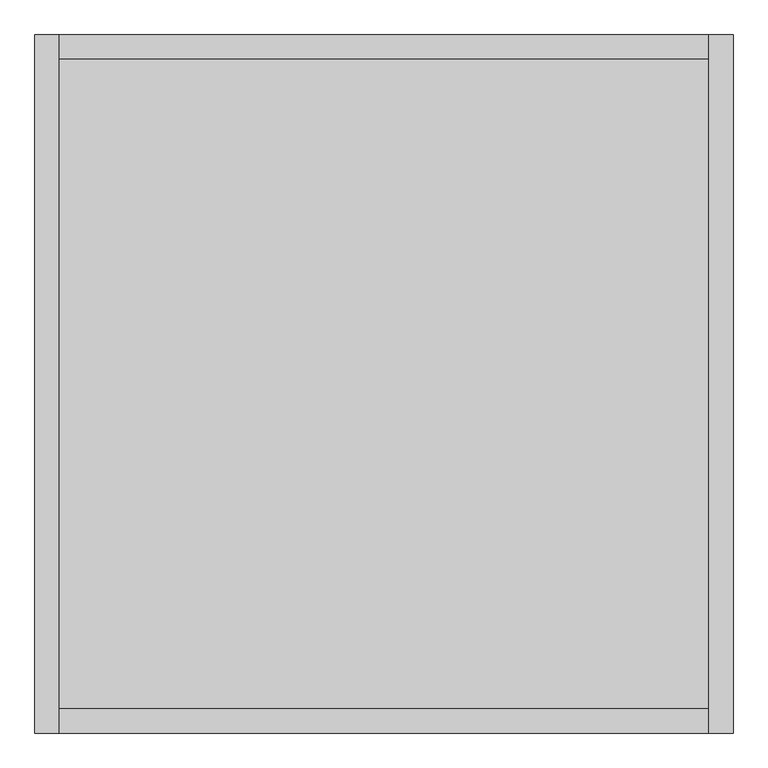
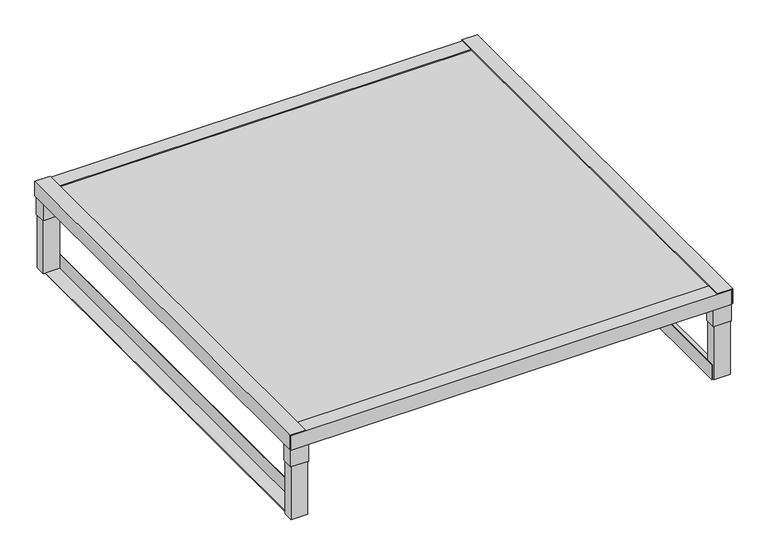
"""IFC4 building model written with IfcOpenShell, lengths in millimetres: proxy geometry."""

from ifc_helpers import new_model, si_unit, frame, origin, place, context, project, spatial, polyline, outline, extrude, source, transform, mapped, element, save


def specialty_equipment_ddc17eeb(model_context):
    return source(origin(), model_context, "Body", "SweptSolid", [
        extrude(outline(polyline([(-666.0, -95.0), (-666.0, -129.0), (-719.9705966, -129.0), (-719.9705966, -95.0), (-666.0, -95.0)])), frame((0.0, 0.0, 3.0), z_axis=(0.0, 0.0, 1.0), x_axis=(1.0, 0.0, 0.0)), (0.0, 0.0, 1.0), 185.0),
        extrude(outline(polyline([(720.0, -95.0), (720.0, -129.0), (665.9705966, -129.0), (665.9705966, -95.0), (720.0, -95.0)])), frame((0.0, 0.0, 3.0), z_axis=(0.0, 0.0, 1.0), x_axis=(1.0, 0.0, 0.0)), (0.0, 0.0, 1.0), 185.0),
        extrude(outline(polyline([(720.0, -1501.0), (720.0, -1535.0), (665.9705966, -1535.0), (665.9705966, -1501.0), (720.0, -1501.0)])), frame((0.0, 0.0, 3.0), z_axis=(0.0, 0.0, 1.0), x_axis=(1.0, 0.0, 0.0)), (0.0, 0.0, 1.0), 185.0),
        extrude(outline(polyline([(-666.0, -1501.0), (-666.0, -1535.0), (-719.9705966, -1535.0), (-719.9705966, -1501.0), (-666.0, -1501.0)])), frame((0.0, 0.0, 3.0), z_axis=(0.0, 0.0, 1.0), x_axis=(1.0, 0.0, 0.0)), (0.0, 0.0, 1.0), 185.0),
        extrude(outline(polyline([(-663.9705966, -93.0), (-663.9705966, -131.0), (-721.9705966, -131.0), (-721.9705966, -93.0), (-663.9705966, -93.0)])), frame((0.0, 0.0, 188.0), z_axis=(0.0, 0.0, 1.0), x_axis=(1.0, 0.0, 0.0)), (0.0, 0.0, 1.0), 100.0),
        extrude(outline(polyline([(663.9705966, -93.0), (721.9705966, -93.0), (721.9705966, -131.0), (663.9705966, -131.0), (663.9705966, -93.0)])), frame((0.0, 0.0, 188.0), z_axis=(0.0, 0.0, 1.0), x_axis=(1.0, 0.0, 0.0)), (0.0, 0.0, 1.0), 100.0),
        extrude(outline(polyline([(-663.9705966, -1537.0), (-721.9705966, -1537.0), (-721.9705966, -1499.0), (-663.9705966, -1499.0), (-663.9705966, -1537.0)])), frame((0.0, 0.0, 188.0), z_axis=(0.0, 0.0, 1.0), x_axis=(1.0, 0.0, 0.0)), (0.0, 0.0, 1.0), 100.0),
        extrude(outline(polyline([(663.9705966, -1537.0), (663.9705966, -1499.0), (721.9705966, -1499.0), (721.9705966, -1537.0), (663.9705966, -1537.0)])), frame((0.0, 0.0, 188.0), z_axis=(0.0, 0.0, 1.0), x_axis=(1.0, 0.0, 0.0)), (0.0, 0.0, 1.0), 100.0),
        extrude(outline(polyline([(3.0, -666.0), (3.0, -713.0), (0.0, -713.0), (0.0, -663.0), (50.0, -663.0), (50.0, -666.0), (3.0, -666.0)])), frame((0.0, -1528.0, 0.0), z_axis=(0.0, 1.0, 0.0), x_axis=(0.0, 0.0, 1.0)), (0.0, 0.0, 1.0), 1426.0),
        extrude(outline(polyline([(3.0, 665.9705966), (50.0, 665.9705966), (50.0, 662.9705966), (0.0, 662.9705966), (0.0, 712.9705966), (3.0, 712.9705966), (3.0, 665.9705966)])), frame((0.0, -1528.0, 0.0), z_axis=(0.0, 1.0, 0.0), x_axis=(0.0, 0.0, 1.0)), (0.0, 0.0, 1.0), 1426.0),
        extrude(outline(polyline([(-93.0, 294.0), (-140.0, 294.0), (-140.0, 297.0), (-90.0, 297.0), (-90.0, 247.0), (-93.0, 247.0), (-93.0, 294.0)])), frame((-721.9705966, 0.0, 0.0), z_axis=(1.0, 0.0, 0.0), x_axis=(0.0, 1.0, 0.0)), (0.0, 0.0, 1.0), 1443.9705966),
        extrude(outline(polyline([(-1537.0, 294.0), (-1537.0, 247.0), (-1540.0, 247.0), (-1540.0, 297.0), (-1490.0, 297.0), (-1490.0, 294.0), (-1537.0, 294.0)])), frame((-721.9705966, 0.0, 0.0), z_axis=(1.0, 0.0, 0.0), x_axis=(0.0, 1.0, 0.0)), (0.0, 0.0, 1.0), 1443.9705966),
        extrude(outline(polyline([(297.0, -722.0), (297.0, -675.0), (300.0, -675.0), (300.0, -725.0), (250.0, -725.0), (250.0, -722.0), (297.0, -722.0)])), frame((0.0, -1540.0, 0.0), z_axis=(0.0, 1.0, 0.0), x_axis=(0.0, 0.0, 1.0)), (0.0, 0.0, 1.0), 1450.0),
        extrude(outline(polyline([(297.0, 722.0), (250.0, 722.0), (250.0, 725.0), (300.0, 725.0), (300.0, 675.0), (297.0, 675.0), (297.0, 722.0)])), frame((0.0, -1540.0, 0.0), z_axis=(0.0, 1.0, 0.0), x_axis=(0.0, 0.0, 1.0)), (0.0, 0.0, 1.0), 1450.0),
        extrude(outline(polyline([(722.0, -93.0), (722.0, -1537.0), (-721.9705966, -1537.0), (-721.9705966, -93.0), (722.0, -93.0)])), frame((0.0, 0.0, 288.0), z_axis=(0.0, 0.0, 1.0), x_axis=(1.0, 0.0, 0.0)), (0.0, 0.0, 1.0), 6.0),
    ])


if __name__ == "__main__":
    model = new_model("IFC4")
    model_context = context("Model", 3, world=origin())
    ifc_project = project(units=[si_unit("LENGTHUNIT", "METRE", prefix="MILLI")], contexts=[model_context])
    site = spatial("IfcSite", under=ifc_project)
    building = spatial("IfcBuilding", under=site)
    placement = place(None, origin())
    specialty_equipment_shape = specialty_equipment_ddc17eeb(model_context)
    element("IfcBuildingElementProxy", 1, Name="Specialty Equipment", at=placement, inside=building, context=model_context, shape_type="MappedRepresentation", body=[
        mapped(specialty_equipment_shape, transform((0.0, 0.0, 0.0), x_axis=(1.0, 0.0, 0.0), y_axis=(0.0, 1.0, 0.0), z_axis=(0.0, 0.0, 1.0))),
    ])
    save(model, "model.ifc")
